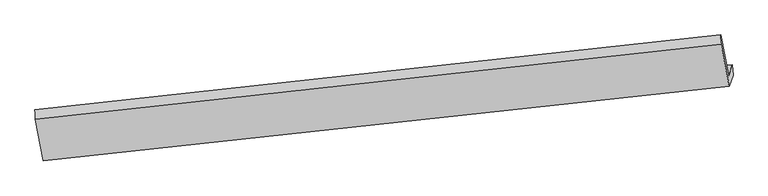
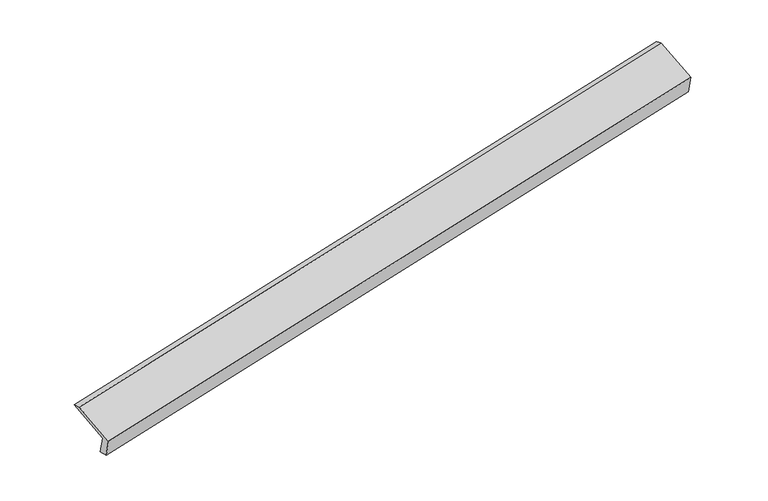
"""IFC4 building model written with IfcOpenShell, lengths in millimetres: proxy geometry."""

from ifc_helpers import new_model, si_unit, frame, origin, place, context, project, spatial, source, transform, mapped, element, save
from ifc_brep_helpers import plane_surface, spline_surface, advanced_brep


def generic_models_156e8d5d(model_context):
    return source(origin(), model_context, "Body", "AdvancedBrep", [
        advanced_brep(
        [(-8462.2651915, -2152.3982822, 404.7535369), (-8522.8784788, -2326.0806887, 796.6388702), (2838.0751426, -1085.7217616, 3092.5250988), (2900.0885563, -908.027408, 2691.5874771), (-8450.7329821, -2321.0461887, 439.8043226), (2911.6207657, -1076.6753144, 2726.6382628), (-8512.1655552, -2497.0761914, 836.9866145), (2847.38794, -1260.7292114, 3141.9251316), (-8646.8013451, -1806.2208583, 1122.3473807), (2712.7521501, -569.8738783, 3427.2858978), (-8654.1328928, -1652.5761772, 1074.8328049), (2706.8207286, -412.2172501, 3370.7190336)],
        [
            (0, 1),
            (1, 2),
            (2, 3),
            (3, 0),
            (4, 0),
            (3, 5),
            (5, 4),
            (6, 4),
            (5, 7),
            (7, 6),
            (8, 6),
            (7, 9),
            (9, 8),
            (10, 8),
            (9, 11),
            (11, 10),
            (1, 10),
            (11, 2),
        ],
        [
            plane_surface(frame((-8492.5718351, -2239.2394855, 600.6962036), z_axis=(-0.17534039102574556, 0.909831616648398, 0.3761145791137338), x_axis=(-0.14001263004086276, -0.40119471469346757, 0.9052288463869607))),
            plane_surface(frame((-8456.4990868, -2236.7222354, 422.2789298), z_axis=(0.21332035687576545, -0.18479782235106268, -0.9593457094273689), x_axis=(-0.06680018678576356, 0.9768910079747385, -0.20303126257669427))),
            plane_surface(frame((-8481.4492686, -2409.06119, 638.3954686), z_axis=(0.17534039102574536, -0.9098316166483942, -0.3761145791137431), x_axis=(0.14001263004079903, 0.40119471469346984, -0.9052288463869695))),
            plane_surface(frame((-8579.4834501, -2151.6485248, 979.6669976), z_axis=(-0.14001263004091602, -0.4011947146934636, 0.9052288463869542), x_axis=(0.177269224658985, -0.9096198667205105, -0.375722397597166))),
            spline_surface(1, 1, [[(-8654.1328928, -1652.5761772, 1074.8328049), (2706.8207286, -412.2172501, 3370.7190336)], [(-8646.8013451, -1806.2208583, 1122.3473807), (2712.7521501, -569.8738783, 3427.2858978)]], [2, 2], [2, 2], [0.0, 1.0], [0.0, 1.0]),
            plane_surface(frame((-8588.5056858, -1989.3284329, 935.7358375), z_axis=(0.13917688229473812, 0.40110203429516283, -0.9053987814874719), x_axis=(-0.17726922465900052, 0.9096198667204999, 0.37572239759718445))),
            plane_surface(frame((2819.4575472, -885.540804, 3075.1134836), z_axis=(0.9741519827100182, 0.10786333468515152, 0.19847774588789385), x_axis=(0.177269224658985, -0.9096198667205105, -0.375722397597166))),
            plane_surface(frame((-8541.4960742, -2125.8997311, 779.227255), z_axis=(-0.9741519827100716, -0.10786333468481381, -0.19847774588781503), x_axis=(0.14001263004086334, 0.40119471469342904, -0.9052288463869776))),
        ],
        [
            (0, [[1, 2, 3, 4]]),
            (1, [[5, -4, 6, 7]]),
            (2, [[8, -7, 9, 10]]),
            (3, [[11, -10, 12, 13]]),
            (4, [[14, -13, 15, 16]]),
            (5, [[17, -16, 18, -2]]),
            (6, [[-12, -9, -6, -3, -18, -15]]),
            (7, [[-1, -5, -8, -11, -14, -17]]),
        ],
    ),
    ])


if __name__ == "__main__":
    model = new_model("IFC4")
    model_context = context("Model", 3, world=origin())
    ifc_project = project(units=[si_unit("LENGTHUNIT", "METRE", prefix="MILLI")], contexts=[model_context])
    site = spatial("IfcSite", under=ifc_project)
    building = spatial("IfcBuilding", under=site)
    placement = place(None, origin())
    generic_models_shape = generic_models_156e8d5d(model_context)
    element("IfcBuildingElementProxy", 1, Name="Generic Models", at=placement, inside=building, context=model_context, shape_type="MappedRepresentation", body=[
        mapped(generic_models_shape, transform((0.0, 0.0, 0.0), x_axis=(1.0, 0.0, 0.0), y_axis=(0.0, 1.0, 0.0), z_axis=(0.0, 0.0, 1.0))),
    ])
    save(model, "model.ifc")
